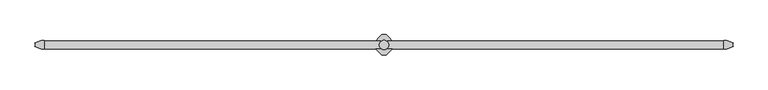
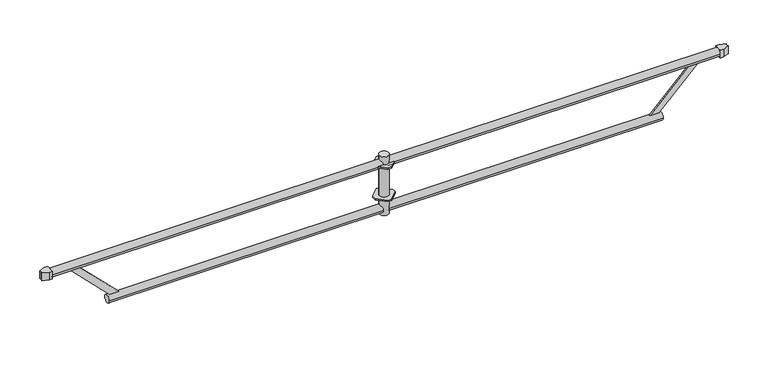
"""IFC4 building model written with IfcOpenShell, lengths in millimetres: proxy geometry."""

from ifc_helpers import new_model, si_unit, point, frame, frame_2d, origin, origin_2d, place, context, project, spatial, polyline, circle_curve, trimmed, segment, composite_curve, outline, extrude, source, transform, mapped, element, save


def generic_models_686426db(model_context):
    return source(origin(), model_context, "Body", "SweptSolid", [
        extrude(outline(polyline([(1839.5, 53.0), (1882.0, 10.5), (1882.0, -10.5), (1839.5, -53.0), (1818.5, -53.0), (1776.0, -10.5), (1776.0, 10.5), (1818.5, 53.0), (1839.5, 53.0)]), holes=[composite_curve([segment(trimmed(circle_curve(frame_2d((1829.0, 0.0)), 24.3), [point((1804.7, 0.0))], [point((1853.3, 0.0))], True, "CARTESIAN"), True, "CONTINUOUS"), segment(trimmed(circle_curve(frame_2d((1829.0, 0.0)), 24.3), [point((1853.3, 0.0))], [point((1804.7, 0.0))], True, "CARTESIAN"), True, "CONTINUOUS")], self_intersect=False)]), frame((0.0, 0.0, -184.0), z_axis=(0.0, 0.0, 1.0), x_axis=(1.0, 0.0, 0.0)), (0.0, 0.0, 1.0), 8.0),
        extrude(outline(polyline([(1839.5, 53.0), (1882.0, 10.5), (1882.0, -10.5), (1839.5, -53.0), (1818.5, -53.0), (1776.0, -10.5), (1776.0, 10.5), (1818.5, 53.0), (1839.5, 53.0)]), holes=[composite_curve([segment(trimmed(circle_curve(frame_2d((1829.0, 0.0)), 24.3), [point((1804.7, 0.0))], [point((1853.3, 0.0))], True, "CARTESIAN"), True, "CONTINUOUS"), segment(trimmed(circle_curve(frame_2d((1829.0, 0.0)), 24.3), [point((1853.3, 0.0))], [point((1804.7, 0.0))], True, "CARTESIAN"), True, "CONTINUOUS")], self_intersect=False)]), frame((0.0, 0.0, -4.0), z_axis=(0.0, 0.0, 1.0), x_axis=(1.0, 0.0, 0.0)), (0.0, 0.0, 1.0), 8.0),
        extrude(outline(composite_curve([segment(polyline([(71.5, 21.5), (71.5, -21.5), (54.4592, -21.5), (22.417134, -9.3788237)]), True, "CONTINUOUS"), segment(trimmed(circle_curve(frame_2d((5.2e-06, 0.0)), 24.3), [point((22.417134, -9.3788237))], [point((24.3000052, 0.0))], True, "CARTESIAN"), True, "CONTINUOUS"), segment(trimmed(circle_curve(frame_2d((5.2e-06, 0.0)), 24.3), [point((24.3000052, 0.0))], [point((22.417134, 9.3788237))], True, "CARTESIAN"), True, "CONTINUOUS"), segment(polyline([(22.417134, 9.3788237), (54.4592, 21.5), (71.5, 21.5)]), True, "CONTINUOUS")], self_intersect=False)), frame((0.0, 0.0, -21.5), z_axis=(0.0, 0.0, 1.0), x_axis=(1.0, 0.0, 0.0)), (0.0, 0.0, 1.0), 43.0),
        extrude(outline(composite_curve([segment(polyline([(3586.5, -21.5), (3586.5, 21.5), (3603.5408, 21.5), (3635.582866, 9.3788237)]), True, "CONTINUOUS"), segment(trimmed(circle_curve(frame_2d((3657.9999948, 0.0)), 24.3), [point((3635.582866, 9.3788237))], [point((3633.6999948, 0.0))], True, "CARTESIAN"), True, "CONTINUOUS"), segment(trimmed(circle_curve(frame_2d((3657.9999948, 0.0)), 24.3), [point((3633.6999948, 0.0))], [point((3635.582866, -9.3788237))], True, "CARTESIAN"), True, "CONTINUOUS"), segment(polyline([(3635.582866, -9.3788237), (3603.5408, -21.5), (3586.5, -21.5)]), True, "CONTINUOUS")], self_intersect=False)), frame((0.0, 0.0, -21.5), z_axis=(0.0, 0.0, 1.0), x_axis=(1.0, 0.0, 0.0)), (0.0, 0.0, 1.0), 43.0),
        extrude(outline(polyline([(0.0, -34.0000001), (0.0, 0.0), (5.0, 0.0), (5.0, -34.0000001), (0.0, -34.0000001)])), frame((3216.9791823, -2.5, -237.9791847), z_axis=(0.707106781186466, 0.0, 0.7071067811866292), x_axis=(0.0, 1.0, 0.0)), (0.0, 0.0, 1.0), 353.5533906),
        extrude(outline(polyline([(0.0, -353.5533906), (0.0, 0.0), (5.0, 0.0), (5.0, -353.5533906), (0.0, -353.5533906)])), frame((166.9791713, -2.5, -12.0208153), z_axis=(0.7071067811867122, 0.0, 0.7071067811863828), x_axis=(0.0, 1.0, 0.0)), (0.0, 0.0, 1.0), 34.0),
        extrude(outline(composite_curve([segment(trimmed(circle_curve(origin_2d(), 21.35), [point((-21.35, 0.0))], [point((21.35, 0.0))], False, "CARTESIAN"), True, "CONTINUOUS"), segment(trimmed(circle_curve(origin_2d(), 21.35), [point((21.35, 0.0))], [point((-21.35, 0.0))], False, "CARTESIAN"), True, "CONTINUOUS")], self_intersect=False)), frame((1845.3, 0.0, 0.0), z_axis=(1.0, 0.0, 0.0), x_axis=(0.0, 1.0, 0.0)), (0.0, 0.0, 1.0), 1741.2),
        extrude(outline(composite_curve([segment(trimmed(circle_curve(frame_2d((0.0, -250.0)), 21.35), [point((21.35, -250.0))], [point((-21.35, -250.0))], False, "CARTESIAN"), True, "CONTINUOUS"), segment(trimmed(circle_curve(frame_2d((0.0, -250.0)), 21.35), [point((-21.35, -250.0))], [point((21.35, -250.0))], False, "CARTESIAN"), True, "CONTINUOUS")], self_intersect=False)), frame((371.7, 0.0, 0.0), z_axis=(1.0, 0.0, 0.0), x_axis=(0.0, 1.0, 0.0)), (0.0, 0.0, 1.0), 1441.0),
        extrude(outline(composite_curve([segment(trimmed(circle_curve(frame_2d((0.0, -249.95)), 21.35), [point((-21.35, -249.95))], [point((21.35, -249.95))], False, "CARTESIAN"), True, "CONTINUOUS"), segment(trimmed(circle_curve(frame_2d((0.0, -249.95)), 21.35), [point((21.35, -249.95))], [point((-21.35, -249.95))], False, "CARTESIAN"), True, "CONTINUOUS")], self_intersect=False)), frame((1845.3, 0.0, 0.0), z_axis=(1.0, 0.0, 0.0), x_axis=(0.0, 1.0, 0.0)), (0.0, 0.0, 1.0), 1441.0),
        extrude(outline(composite_curve([segment(trimmed(circle_curve(origin_2d(), 21.35), [point((21.35, 0.0))], [point((-21.35, 0.0))], False, "CARTESIAN"), True, "CONTINUOUS"), segment(trimmed(circle_curve(origin_2d(), 21.35), [point((-21.35, 0.0))], [point((21.35, 0.0))], False, "CARTESIAN"), True, "CONTINUOUS")], self_intersect=False)), frame((71.5, 0.0, 0.0), z_axis=(1.0, 0.0, 0.0), x_axis=(0.0, 1.0, 0.0)), (0.0, 0.0, 1.0), 1741.2),
        extrude(outline(composite_curve([segment(trimmed(circle_curve(frame_2d((1829.0, 0.0)), 24.3), [point((1804.7, 0.0))], [point((1853.3, 0.0))], False, "CARTESIAN"), True, "CONTINUOUS"), segment(trimmed(circle_curve(frame_2d((1829.0, 0.0)), 24.3), [point((1853.3, 0.0))], [point((1804.7, 0.0))], False, "CARTESIAN"), True, "CONTINUOUS")], self_intersect=False)), frame((0.0, 0.0, -280.0), z_axis=(0.0, 0.0, 1.0), x_axis=(1.0, 0.0, 0.0)), (0.0, 0.0, 1.0), 325.0),
    ])


if __name__ == "__main__":
    model = new_model("IFC4")
    model_context = context("Model", 3, world=origin())
    ifc_project = project(units=[si_unit("LENGTHUNIT", "METRE", prefix="MILLI")], contexts=[model_context])
    site = spatial("IfcSite", under=ifc_project)
    building = spatial("IfcBuilding", under=site)
    placement = place(None, origin())
    generic_models_shape = generic_models_686426db(model_context)
    element("IfcBuildingElementProxy", 1, Name="Generic Models", at=placement, inside=building, context=model_context, shape_type="MappedRepresentation", body=[
        mapped(generic_models_shape, transform((0.0, 0.0, 0.0), x_axis=(1.0, 0.0, 0.0), y_axis=(0.0, 1.0, 0.0), z_axis=(0.0, 0.0, 1.0))),
    ])
    save(model, "model.ifc")
